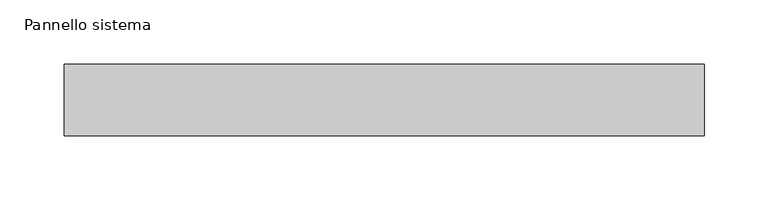
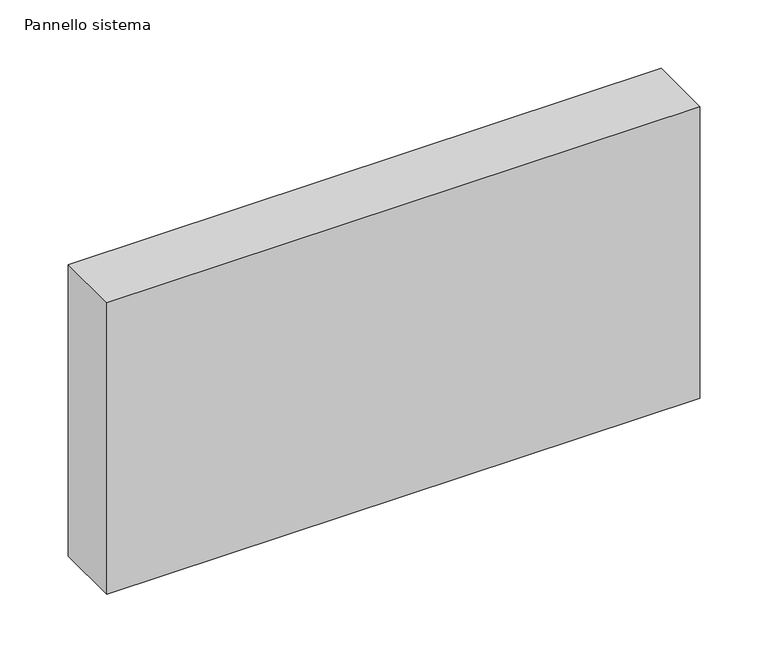
"""IFC4 building model written with IfcOpenShell, lengths in millimetres: plate geometry, Pannello sistema."""

from ifc_helpers import new_model, si_unit, origin, origin_with_axes, place, context, project, spatial, polyline, outline, extrude, source, transform, mapped, element, save


def pannello_sistema_3aa60033(model_context):
    return source(origin(), model_context, "Body", "SweptSolid", [
        extrude(outline(polyline([(250.0, -28.0), (-250.0, -28.0), (-250.0, 28.0), (250.0, 28.0), (250.0, -28.0)])), origin_with_axes(), (0.0, 0.0, 1.0), 260.0),
    ])


if __name__ == "__main__":
    model = new_model("IFC4")
    model_context = context("Model", 3, world=origin())
    ifc_project = project(units=[si_unit("LENGTHUNIT", "METRE", prefix="MILLI")], contexts=[model_context])
    site = spatial("IfcSite", under=ifc_project)
    building = spatial("IfcBuilding", under=site)
    placement = place(None, origin())
    pannello_sistema_shape = pannello_sistema_3aa60033(model_context)
    element("IfcPlate", 1, ObjectType="Pannello sistema", at=placement, inside=building, context=model_context, shape_type="MappedRepresentation", body=[
        mapped(pannello_sistema_shape, transform((0.0, 0.0, 0.0), x_axis=(1.0, 0.0, 0.0), y_axis=(0.0, 1.0, 0.0), z_axis=(0.0, 0.0, 1.0))),
    ])
    save(model, "model.ifc")
